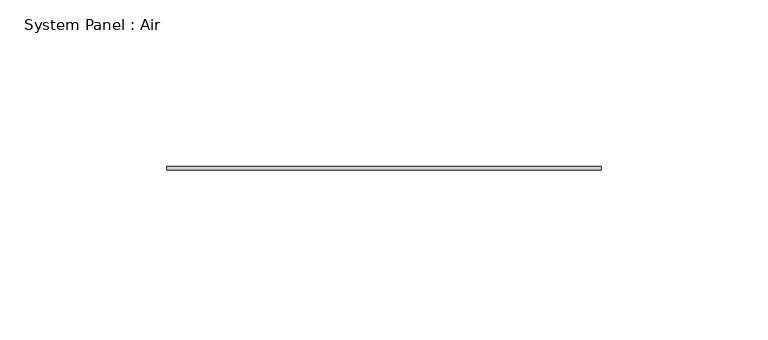
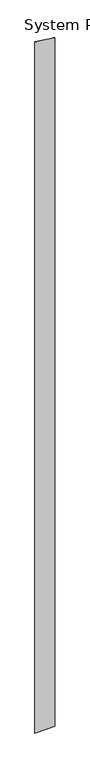
"""IFC4 building model written with IfcOpenShell, lengths in millimetres: plate geometry, System Panel : Air."""

from ifc_helpers import new_model, si_unit, frame, origin, place, context, project, spatial, polyline, outline, extrude, source, transform, mapped, element, save


def system_panel_air_851cd39a(model_context):
    return source(origin(), model_context, "Body", "SweptSolid", [
        extrude(outline(polyline([(0.0, -65.0), (0.0, 65.0), (4733.6126224, 65.0), (4752.8542008, -65.0), (0.0, -65.0)])), frame((0.0, 36.5, 0.0), z_axis=(0.0, 1.0, 0.0), x_axis=(0.0, 0.0, 1.0)), (0.0, 0.0, 1.0), 1.0),
    ])


if __name__ == "__main__":
    model = new_model("IFC4")
    model_context = context("Model", 3, world=origin())
    ifc_project = project(units=[si_unit("LENGTHUNIT", "METRE", prefix="MILLI")], contexts=[model_context])
    site = spatial("IfcSite", under=ifc_project)
    building = spatial("IfcBuilding", under=site)
    placement = place(None, origin())
    system_panel_air_shape = system_panel_air_851cd39a(model_context)
    element("IfcPlate", 1, ObjectType="System Panel : Air", at=placement, inside=building, context=model_context, shape_type="MappedRepresentation", body=[
        mapped(system_panel_air_shape, transform((0.0, 0.0, 0.0), x_axis=(1.0, 0.0, 0.0), y_axis=(0.0, 1.0, 0.0), z_axis=(0.0, 0.0, 1.0))),
    ])
    save(model, "model.ifc")
